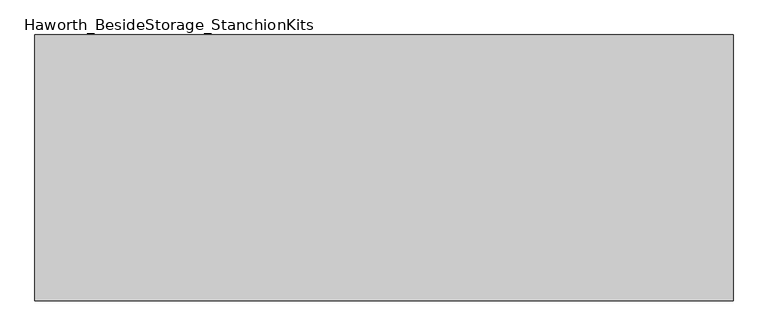
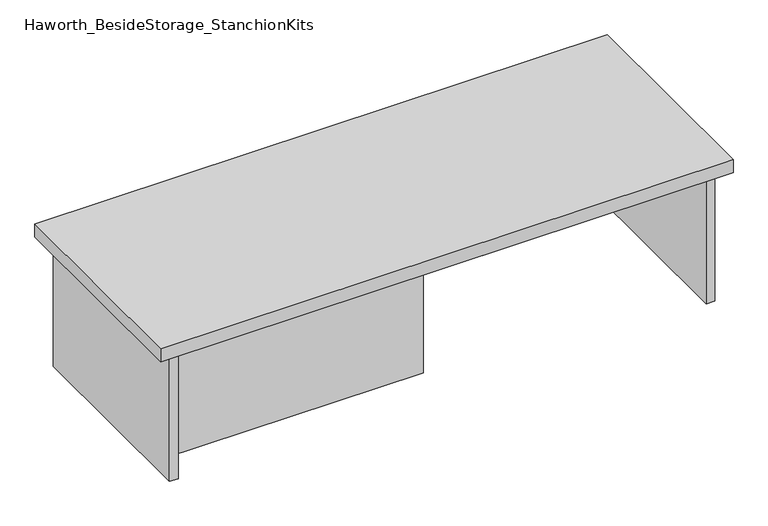
"""IFC4 building model written with IfcOpenShell, lengths in millimetres: furniture geometry, Haworth_BesideStorage_StanchionKits."""

from ifc_helpers import new_model, si_unit, frame, origin, place, context, project, spatial, polyline, outline, extrude, source, transform, mapped, element, save


def haworth_besidestorage_stanchionkits_b2cfeb39(model_context):
    return source(origin(), model_context, "Body", "SweptSolid", [
        extrude(outline(polyline([(695.325, 0.0), (695.325, -406.4), (-371.475, -406.4), (-371.475, 0.0), (695.325, 0.0)])), frame((0.0, 0.0, 685.8), z_axis=(0.0, 0.0, 1.0), x_axis=(1.0, 0.0, 0.0)), (0.0, 0.0, 1.0), 25.4),
        extrude(outline(polyline([(161.925, -76.2), (654.05, -76.2), (654.05, -92.075), (161.925, -92.075), (161.925, -76.2)])), frame((0.0, 0.0, 431.8), z_axis=(0.0, 0.0, 1.0), x_axis=(1.0, 0.0, 0.0)), (0.0, 0.0, 1.0), 254.0),
        extrude(outline(polyline([(161.925, -314.325), (161.925, -330.2), (-330.2, -330.2), (-330.2, -314.325), (161.925, -314.325)])), frame((0.0, 0.0, 431.8), z_axis=(0.0, 0.0, 1.0), x_axis=(1.0, 0.0, 0.0)), (0.0, 0.0, 1.0), 254.0),
        extrude(outline(polyline([(669.925, -390.525), (654.05, -390.525), (654.05, -15.875), (669.925, -15.875), (669.925, -390.525)])), frame((0.0, 0.0, 431.8), z_axis=(0.0, 0.0, 1.0), x_axis=(1.0, 0.0, 0.0)), (0.0, 0.0, 1.0), 254.0),
        extrude(outline(polyline([(-330.2, -390.525), (-346.075, -390.525), (-346.075, -15.875), (-330.2, -15.875), (-330.2, -390.525)])), frame((0.0, 0.0, 431.8), z_axis=(0.0, 0.0, 1.0), x_axis=(1.0, 0.0, 0.0)), (0.0, 0.0, 1.0), 254.0),
    ])


if __name__ == "__main__":
    model = new_model("IFC4")
    model_context = context("Model", 3, world=origin())
    ifc_project = project(units=[si_unit("LENGTHUNIT", "METRE", prefix="MILLI")], contexts=[model_context])
    site = spatial("IfcSite", under=ifc_project)
    building = spatial("IfcBuilding", under=site)
    placement = place(None, origin())
    haworth_besidestorage_stanchionkits_shape = haworth_besidestorage_stanchionkits_b2cfeb39(model_context)
    element("IfcFurniture", 1, ObjectType="Haworth_BesideStorage_StanchionKits", at=placement, inside=building, context=model_context, shape_type="MappedRepresentation", body=[
        mapped(haworth_besidestorage_stanchionkits_shape, transform((0.0, 0.0, 0.0), x_axis=(1.0, 0.0, 0.0), y_axis=(0.0, 1.0, 0.0), z_axis=(0.0, 0.0, 1.0))),
    ])
    save(model, "model.ifc")
